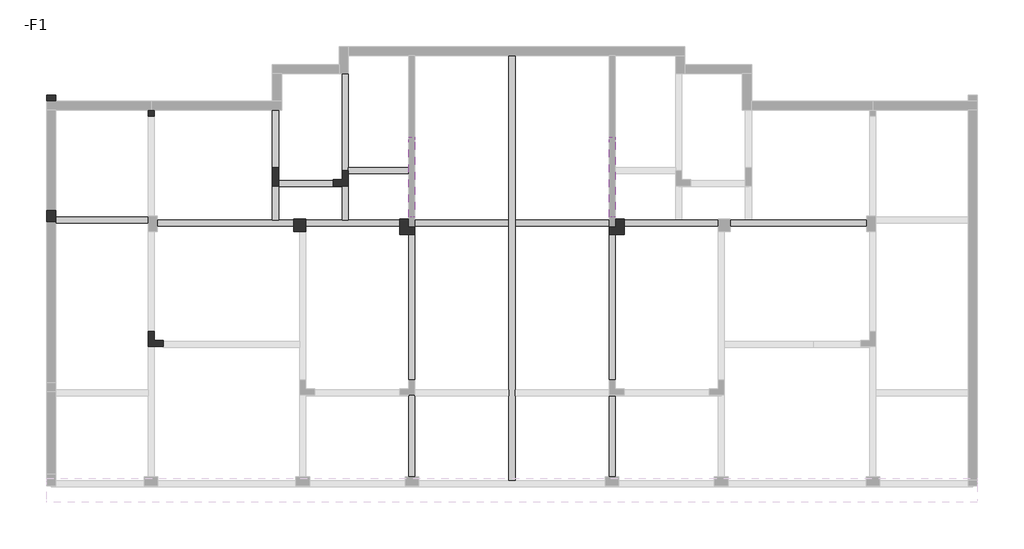
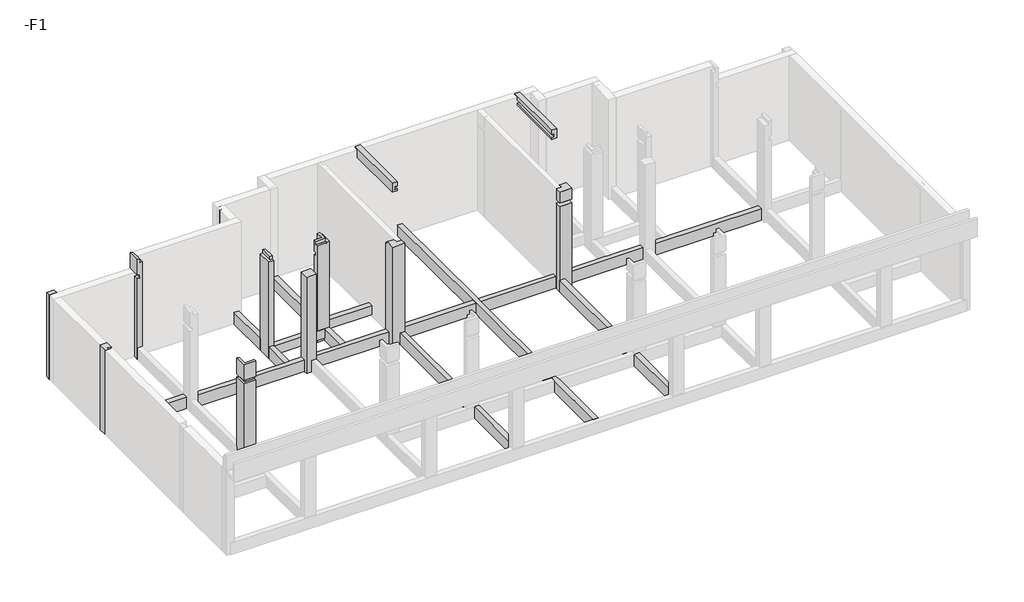
# One storey, part 3 of 4: 14 columns, 11 beams.
"""IFC4 building model written with IfcOpenShell, lengths in millimetres."""

from ifc_helpers import new_model, si_unit, frame, origin, place, context, project, spatial, polyline, outline, extrude, faceted_brep, element, save

model = new_model("IFC4")

# Units and contexts
model_context = context("Model", 3, world=origin())
ifc_project = project(units=[si_unit("LENGTHUNIT", "METRE", prefix="MILLI")], contexts=[model_context])

# Site, building, storey
site = spatial("IfcSite", under=ifc_project)
building = spatial("IfcBuilding", under=site)
storey = spatial("IfcBuildingStorey", under=building, Name="-F1", Elevation=-3900.0)

# Beams
placement = place(None, origin())
element("IfcBeam", 1, at=placement, inside=storey, context=model_context, shape_type="Brep", body=[
    faceted_brep([(-7567.9488808, -1248.812102, -3900.0), (-7367.9488808, -1248.812102, -3900.0), (-7367.9488808, 3801.1929483, -3900.0), (-7567.9488808, 3801.1929483, -3900.0), (-7367.9488808, -1248.812102, -4400.0), (-7367.9488808, 3801.1929483, -4400.0), (-7567.9488808, -1248.812102, -4400.0), (-7567.9488808, 3801.1929483, -4400.0)], [[[0, 1, 2, 3]], [[1, 4, 5, 2]], [[4, 6, 7, 5]], [[6, 0, 3, 7]], [[1, 0, 6, 4]], [[3, 2, 5, 7]]]),
    faceted_brep([(-7367.9488808, -4448.8065585, -3900.0), (-7567.9488808, -4448.8065585, -3900.0), (-7567.9488808, -4448.8065585, -4400.0), (-7367.9488808, -4448.8065585, -4400.0), (-7567.9488808, -1748.812102, -3900.0), (-7367.9488808, -1748.812102, -3900.0), (-7367.9488808, -1748.812102, -4400.0), (-7567.9488808, -1748.812102, -4400.0), (-7367.9488808, -1779.255022, -3900.0), (-7567.9488808, -1779.255022, -3900.0), (-7367.9488808, -1779.255022, -4400.0), (-7567.9488808, -1779.255022, -4400.0)], [[[0, 1, 2, 3]], [[4, 5, 6, 7]], [[1, 0, 8, 5, 4, 9]], [[0, 3, 10, 6, 5, 8]], [[3, 2, 11, 7, 6, 10]], [[2, 1, 9, 4, 7, 11]]]),
])
element("IfcBeam", 2, at=placement, inside=storey, context=model_context, shape_type="Brep", body=[
    faceted_brep([(-4267.9488808, -4579.254527, -3900.0), (-4067.9488808, -4579.254527, -3900.0), (-4067.9488808, -1779.255022, -3900.0), (-4067.9488808, -1579.255022, -3900.0), (-4067.9488808, 3820.7399295, -3900.0), (-4067.9488808, 4020.7399295, -3900.0), (-4067.9488808, 9451.1929646, -3900.0), (-4267.9488808, 9451.1929646, -3900.0), (-4267.9488808, 4020.7399295, -3900.0), (-4267.9488808, 3820.7399295, -3900.0), (-4267.9488808, -1579.255022, -3900.0), (-4267.9488808, -1779.255022, -3900.0), (-4067.9488808, -4579.254527, -4400.0), (-4067.9488808, -1779.255022, -4400.0), (-4067.9488808, -1579.255022, -4400.0), (-4067.9488808, 3820.7399295, -4400.0), (-4067.9488808, 4020.7399295, -4400.0), (-4067.9488808, 9451.1929646, -4400.0), (-4267.9488808, -4579.254527, -4400.0), (-4267.9488808, -1779.255022, -4400.0), (-4267.9488808, -1579.255022, -4400.0), (-4267.9488808, 3820.7399295, -4400.0), (-4267.9488808, 4020.7399295, -4400.0), (-4267.9488808, 9451.1929646, -4400.0)], [[[0, 1, 2, 3, 4, 5, 6, 7, 8, 9, 10, 11]], [[1, 12, 13, 14, 15, 16, 17, 6, 5, 4, 3, 2]], [[12, 18, 19, 20, 21, 22, 23, 17, 16, 15, 14, 13]], [[18, 0, 11, 10, 9, 8, 7, 23, 22, 21, 20, 19]], [[1, 0, 18, 12]], [[7, 6, 17, 23]]]),
])
element("IfcBeam", 3, at=placement, inside=storey, context=model_context, shape_type="Brep", body=[
    faceted_brep([(-16167.9082316, 3920.739838, -3900.0), (-16167.9082316, 4120.739838, -3900.0), (-19217.9377846, 4120.739838, -3900.0), (-19217.9488808, 3920.739838, -3900.0), (-16167.9082316, 3920.739838, -4400.0), (-19217.9488808, 3920.739838, -4400.0), (-16167.9082316, 4120.739838, -4400.0), (-19217.9466364, 3961.1929515, -4400.0), (-19217.9377846, 4120.739838, -4400.0)], [[[0, 1, 2, 3]], [[4, 0, 3, 5]], [[6, 4, 5, 7, 8]], [[1, 6, 8, 2]], [[1, 0, 4, 6]], [[2, 8, 7, 5, 3]]]),
])
element("IfcBeam", 4, at=placement, inside=storey, context=model_context, shape_type="Brep", body=[
    faceted_brep([(7532.0104701, 3820.7399295, -3900.0), (7532.0104701, 4020.7399295, -3900.0), (3732.0511192, 4020.7399295, -3900.0), (3532.0511192, 4020.7399295, -3900.0), (3032.0511192, 4020.7399295, -3900.0), (3032.0511192, 3820.7399295, -3900.0), (7532.0104701, 3820.7399295, -4400.0), (3032.0511192, 3820.7399295, -4400.0), (7532.0104701, 4020.7399295, -4400.0), (3032.0511192, 4020.7399295, -4400.0), (3532.0511192, 4020.7399295, -4400.0), (3732.0511192, 4020.7399295, -4400.0)], [[[0, 1, 2, 3, 4, 5]], [[6, 0, 5, 7]], [[8, 6, 7, 9, 10, 11]], [[1, 8, 11, 10, 9, 4, 3, 2]], [[1, 0, 6, 8]], [[5, 4, 9, 7]]]),
    faceted_brep([(-15867.9082316, 3820.7399295, -3900.0), (-15867.9082316, 4020.7399295, -3900.0), (-15867.9082316, 4020.7399295, -4400.0), (-15867.9082316, 3820.7399295, -4400.0), (-11367.9488808, 4020.7399295, -3900.0), (-11367.9488808, 3820.7399295, -3900.0), (-11367.9488808, 3820.7399295, -4400.0), (-11367.9488808, 4020.7399295, -4400.0), (-11867.9488808, 4020.7399295, -3900.0), (-12067.9488808, 4020.7399295, -3900.0), (-12067.9488808, 4020.7399295, -4400.0), (-11867.9488808, 4020.7399295, -4400.0)], [[[0, 1, 2, 3]], [[4, 5, 6, 7]], [[1, 0, 5, 4, 8, 9]], [[0, 3, 6, 5]], [[3, 2, 10, 11, 7, 6]], [[2, 1, 9, 8, 4, 7, 11, 10]]]),
    faceted_brep([(-967.985891, 4020.7399295, -3900.0), (-967.985891, 3820.7399295, -3900.0), (-967.985891, 3820.7399295, -4400.0), (-967.985891, 4020.7399295, -4400.0), (-4067.9488808, 3820.7399295, -3900.0), (-4067.9488808, 4020.7399295, -3900.0), (-4067.9488808, 4020.7399295, -4400.0), (-4067.9488808, 3820.7399295, -4400.0)], [[[0, 1, 2, 3]], [[4, 5, 6, 7]], [[1, 0, 5, 4]], [[2, 1, 4, 7]], [[3, 2, 7, 6]], [[0, 3, 6, 5]]]),
    faceted_brep([(-467.985891, 3820.7399295, -3900.0), (-467.985891, 4020.7399295, -3900.0), (-467.985891, 4020.7399295, -4400.0), (-467.985891, 3820.7399295, -4400.0), (2632.0511192, 4020.7399295, -3900.0), (2632.0511192, 3820.7399295, -3900.0), (2632.0511192, 3820.7399295, -4400.0), (2632.0511192, 4020.7399295, -4400.0), (1432.0511192, 4020.7399295, -3900.0), (1232.0511192, 4020.7399295, -3900.0), (1232.0511192, 4020.7399295, -4400.0), (1432.0511192, 4020.7399295, -4400.0)], [[[0, 1, 2, 3]], [[4, 5, 6, 7]], [[1, 0, 5, 4, 8, 9]], [[0, 3, 6, 5]], [[3, 2, 10, 11, 7, 6]], [[2, 1, 9, 8, 4, 7, 11, 10]]]),
    faceted_brep([(-10967.9488808, 3820.7399295, -3900.0), (-10967.9488808, 4020.7399295, -3900.0), (-10967.9488808, 4020.7399295, -4400.0), (-10967.9488808, 3820.7399295, -4400.0), (-7567.9488808, 4020.7399295, -3900.0), (-7567.9488808, 3820.7399295, -3900.0), (-7567.9488808, 3820.7399295, -4400.0), (-7567.9488808, 4020.7399295, -4400.0), (-9567.9488808, 4020.7399295, -3900.0), (-9767.9488808, 4020.7399295, -3900.0), (-9767.9488808, 4020.7399295, -4400.0), (-9567.9488808, 4020.7399295, -4400.0)], [[[0, 1, 2, 3]], [[4, 5, 6, 7]], [[1, 0, 5, 4, 8, 9]], [[0, 3, 6, 5]], [[3, 2, 10, 11, 7, 6]], [[2, 1, 9, 8, 4, 7, 11, 10]]]),
    faceted_brep([(-4267.9488808, 4020.7399295, -3900.0), (-4267.9488808, 3820.7399295, -3900.0), (-4267.9488808, 3820.7399295, -4400.0), (-4267.9488808, 4020.7399295, -4400.0), (-7367.9488808, 4020.7399295, -3900.0), (-7367.9488808, 3820.7399295, -3900.0), (-7367.9488808, 3820.7399295, -4400.0), (-7367.9488808, 4020.7399295, -4400.0)], [[[0, 1, 2, 3]], [[1, 0, 4, 5]], [[2, 1, 5, 6]], [[3, 2, 6, 7]], [[0, 3, 7, 4]], [[5, 4, 7, 6]]]),
])
element("IfcBeam", 5, at=placement, inside=storey, context=model_context, shape_type="SweptSolid", body=[
    extrude(outline(polyline([(-767.9488808, -4448.8065585), (-967.9488808, -4448.8065585), (-967.9488808, -1779.255022), (-767.9488808, -1779.255022), (-767.9488808, -4448.8065585)])), frame((0.0, 0.0, -4400.0), z_axis=(0.0, 0.0, 1.0), x_axis=(1.0, 0.0, 0.0)), (0.0, 0.0, 1.0), 500.0),
    extrude(outline(polyline([(-767.9488808, -1248.812102), (-967.9488808, -1248.812102), (-967.9488808, 3551.1929483), (-767.9488808, 3551.1929483), (-767.9488808, -1248.812102)])), frame((0.0, 0.0, -4400.0), z_axis=(0.0, 0.0, 1.0), x_axis=(1.0, 0.0, 0.0)), (0.0, 0.0, 1.0), 500.0),
])
element("IfcBeam", 6, at=placement, inside=storey, context=model_context, shape_type="Brep", body=[
    faceted_brep([(-12067.9488808, 4020.7399295, -3900.0), (-11867.9488808, 4020.7399295, -3900.0), (-11867.9488808, 5120.7449813, -3900.0), (-11867.9488808, 5151.187898, -3900.0), (-12067.9488808, 5151.187898, -3900.0), (-12067.9488808, 4020.7399295, -4400.0), (-12067.9488808, 5151.187898, -4400.0), (-11867.9488808, 4020.7399295, -4400.0), (-11867.9488808, 5151.187898, -4400.0)], [[[0, 1, 2, 3, 4]], [[5, 0, 4, 6]], [[7, 5, 6, 8]], [[1, 7, 8, 3, 2]], [[1, 0, 5, 7]], [[4, 3, 8, 6]]]),
    faceted_brep([(-11867.9488808, 5751.187898, -3900.0), (-12067.9488808, 5751.187898, -3900.0), (-12067.9488808, 5751.187898, -4400.0), (-11867.9488808, 5751.187898, -4400.0), (-11867.9488808, 7651.192951, -3900.0), (-12067.9488808, 7651.192951, -3900.0), (-12067.9488808, 7651.192951, -4400.0), (-11867.9488808, 7651.192951, -4400.0)], [[[0, 1, 2, 3]], [[1, 0, 4, 5]], [[2, 1, 5, 6]], [[3, 2, 6, 7]], [[0, 3, 7, 4]], [[5, 4, 7, 6]]]),
])
element("IfcBeam", 7, at=placement, inside=storey, context=model_context, shape_type="Brep", body=[
    faceted_brep([(-9767.9488808, 4020.7399295, -3900.0), (-9567.9488808, 4020.7399295, -3900.0), (-9567.9488808, 5151.187898, -3900.0), (-9767.9488808, 5151.187898, -3900.0), (-9767.9488808, 5120.7449813, -3900.0), (-9767.9488808, 4020.7399295, -4400.0), (-9767.9488808, 5151.187898, -4300.0), (-9767.9488808, 5151.187898, -4400.0), (-9567.9488808, 4020.7399295, -4400.0), (-9567.9488808, 5151.187898, -4400.0)], [[[0, 1, 2, 3, 4]], [[5, 0, 4, 3, 6, 7]], [[8, 5, 7, 9]], [[1, 8, 9, 2]], [[1, 0, 5, 8]], [[3, 2, 9, 7, 6]]]),
    faceted_brep([(-9567.9488808, 5651.187898, -3900.0), (-9767.9488808, 5651.187898, -3900.0), (-9767.9488808, 5651.187898, -4400.0), (-9567.9488808, 5651.187898, -4400.0), (-9567.9488808, 5751.187898, -3900.0), (-9567.9488808, 8851.1979012, -3900.0), (-9767.9488808, 8851.1979012, -3900.0), (-9767.9488808, 8851.1979012, -4400.0), (-9567.9488808, 8851.1979012, -4400.0)], [[[0, 1, 2, 3]], [[1, 0, 4, 5, 6]], [[2, 1, 6, 7]], [[3, 2, 7, 8]], [[0, 3, 8, 5, 4]], [[6, 5, 8, 7]]]),
])
element("IfcBeam", 8, at=placement, inside=storey, context=model_context, shape_type="Brep", body=[
    faceted_brep([(-9567.9488808, 5751.187898, -3900.0), (-9567.9488808, 5651.187898, -3900.0), (-9567.9488808, 5551.187898, -3900.0), (-7567.9488808, 5551.187898, -3900.0), (-7567.9488808, 5751.187898, -3900.0), (-9567.9488808, 5551.187898, -4300.0), (-7567.9488808, 5551.187898, -4300.0), (-9567.9488808, 5751.187898, -4300.0), (-7567.9488808, 5751.187898, -4300.0)], [[[0, 1, 2, 3, 4]], [[2, 5, 6, 3]], [[5, 7, 8, 6]], [[4, 8, 7, 0]], [[0, 7, 5, 2, 1]], [[4, 3, 6, 8]]]),
])
element("IfcBeam", 9, at=placement, inside=storey, context=model_context, shape_type="Brep", body=[
    faceted_brep([(-10067.9488808, 5320.7449813, -3900.0), (-11867.9488808, 5320.7449813, -3900.0), (-11867.9488808, 5151.187898, -3900.0), (-11867.9488808, 5120.7449813, -3900.0), (-9767.9488808, 5120.7449813, -3900.0), (-9767.9488808, 5151.187898, -3900.0), (-10067.9488808, 5151.187898, -3900.0), (-11867.9488808, 5120.7449813, -4300.0), (-9767.9488808, 5120.7449813, -4300.0), (-11867.9488808, 5320.7449813, -4300.0), (-10067.9488808, 5320.7449813, -4300.0), (-10067.9488808, 5151.187898, -4300.0), (-9767.9488808, 5151.187898, -4300.0)], [[[0, 1, 2, 3, 4, 5, 6]], [[3, 7, 8, 4]], [[9, 10, 11, 12, 8, 7]], [[9, 1, 0, 10]], [[1, 9, 7, 3, 2]], [[6, 11, 10, 0]], [[11, 6, 5, 12]], [[5, 4, 8, 12]]]),
])
element("IfcBeam", 10, at=placement, inside=storey, context=model_context, shape_type="Brep", body=[
    faceted_brep([(-7568.0210684, 6758.7452581, 2320.0), (-7368.0210684, 6758.7452581, 2320.0), (-7368.0210684, 6758.7452581, 2290.0), (-7568.0210684, 6758.7452581, 2290.0), (-7568.0210684, 4113.8929483, 2320.0), (-7568.0210684, 4113.8929483, 1920.0), (-7368.0210684, 4113.8929483, 1920.0), (-7368.0210684, 4113.8929483, 2000.0), (-7467.9488808, 4113.8929483, 2000.0), (-7467.9488808, 4113.8929483, 2130.0), (-7368.0210684, 4113.8929483, 2130.0), (-7368.0210684, 4113.8929483, 2320.0), (-7368.0210684, 6601.1640579, 2130.0), (-7368.0210684, 6601.1640579, 2280.0), (-7368.0210684, 6751.187898, 2280.0), (-7368.0210684, 6751.187898, 2290.0), (-7568.0210684, 6601.1640579, 1920.0), (-7368.0210684, 6601.1640579, 1920.0), (-7568.0210684, 6751.187898, 2290.0), (-7568.0210684, 6751.187898, 2280.0), (-7568.0210684, 6601.1640579, 2280.0), (-7368.0210684, 6601.1640579, 2000.0), (-7467.9488808, 6601.1640579, 2000.0), (-7467.9488808, 6601.1640579, 2130.0)], [[[0, 1, 2, 3]], [[4, 5, 6, 7, 8, 9, 10, 11]], [[1, 0, 4, 11]], [[1, 11, 10, 12, 13, 14, 15, 2]], [[6, 5, 16, 17]], [[5, 4, 0, 3, 18, 19, 20, 16]], [[8, 7, 21, 22]], [[10, 9, 23, 12]], [[9, 8, 22, 23]], [[3, 2, 15, 18]], [[18, 15, 14, 19]], [[20, 13, 12, 23, 22, 21, 17, 16]], [[13, 20, 19, 14]], [[7, 6, 17, 21]]]),
])
element("IfcBeam", 11, at=placement, inside=storey, context=model_context, shape_type="Brep", body=[
    faceted_brep([(-967.8766931, 6758.7452581, 2320.0), (-767.8766931, 6758.7452581, 2320.0), (-767.8766931, 6758.7452581, 2290.0), (-767.8766931, 6758.7452581, 2280.0), (-967.8766931, 6758.7452581, 2280.0), (-967.8766931, 6758.7452581, 2290.0), (-767.8766931, 4113.8929483, 1920.0), (-767.8766931, 4113.8929483, 2320.0), (-967.8766931, 4113.8929483, 2320.0), (-967.8766931, 4113.8929483, 2130.0), (-867.9488808, 4113.8929483, 2130.0), (-867.9488808, 4113.8929483, 2000.0), (-967.8766931, 4113.8929483, 2000.0), (-967.8766931, 4113.8929483, 1920.0), (-967.8766931, 6751.187898, 2280.0), (-967.8766931, 6601.1640579, 2280.0), (-967.8766931, 6601.1640579, 2130.0), (-967.8766931, 6601.1640579, 1920.0), (-767.8766931, 6601.1640579, 1920.0), (-767.8766931, 6601.1640579, 2280.0), (-767.8766931, 6751.187898, 2280.0), (-867.9488808, 6601.1640579, 2000.0), (-967.8766931, 6601.1640579, 2000.0), (-867.9488808, 6601.1640579, 2130.0)], [[[0, 1, 2, 3, 4, 5]], [[6, 7, 8, 9, 10, 11, 12, 13]], [[1, 0, 8, 7]], [[8, 0, 5, 4, 14, 15, 16, 9]], [[6, 13, 17, 18]], [[7, 6, 18, 19, 20, 3, 2, 1]], [[12, 11, 21, 22]], [[10, 9, 16, 23]], [[11, 10, 23, 21]], [[15, 19, 18, 17, 22, 21, 23, 16]], [[19, 15, 14, 4, 3, 20]], [[13, 12, 22, 17]]]),
])

# Columns
element("IfcColumn", 12, ObjectType="KZ-1", at=placement, inside=storey, context=model_context, shape_type="SweptSolid", body=[
    extrude(outline(polyline([(-19517.9377846, 8151.1929535), (-19217.9377846, 8151.1929535), (-19217.9377846, 7951.192951), (-19517.9377846, 7951.192951), (-19517.9377846, 8151.1929535)])), frame((0.0, 0.0, -4400.0), z_axis=(0.0, 0.0, 1.0), x_axis=(1.0, 0.0, 0.0)), (0.0, 0.0, 1.0), 3680.0),
])
element("IfcColumn", 13, ObjectType="KZ-1", at=placement, inside=storey, context=model_context, shape_type="Brep", body=[
    faceted_brep([(-19517.9377846, 4351.1929535, -4400.0), (-19217.9377846, 4351.1929535, -4400.0), (-19217.9377846, 4120.739838, -4400.0), (-19217.9377846, 3961.192951, -4400.0), (-19517.9377846, 3961.192951, -4400.0), (-19217.9377846, 4351.1929535, -720.0), (-19217.9377846, 4151.187898, -720.0), (-19217.9377846, 4051.187898, -720.0), (-19217.9377846, 4051.187898, -870.0), (-19217.9377846, 3961.192951, -870.0), (-19517.9377846, 4351.1929535, -720.0), (-19517.9377846, 3961.192951, -720.0), (-19367.9488808, 3961.192951, -720.0), (-19367.9488808, 4051.187898, -720.0), (-19367.9488808, 4051.187898, -870.0), (-19367.9488808, 3961.192951, -870.0)], [[[0, 1, 2, 3, 4]], [[1, 5, 6, 7, 8, 9, 3, 2]], [[10, 0, 4, 11]], [[1, 0, 10, 5]], [[5, 10, 11, 12, 13, 7, 6]], [[8, 14, 15, 9]], [[14, 13, 12, 15]], [[13, 14, 8, 7]], [[4, 3, 9, 15, 12, 11]]]),
])
element("IfcColumn", 14, ObjectType="KZ-4", at=placement, inside=storey, context=model_context, shape_type="Brep", body=[
    faceted_brep([(-15967.9082317, 7451.1929485, -4400.0), (-16167.9082317, 7451.1929485, -4400.0), (-16167.9082317, 7651.192951, -4400.0), (-16067.9488808, 7651.192951, -4400.0), (-15967.9082317, 7651.192951, -4400.0), (-15967.9082317, 7451.1929485, -190.0), (-15967.9082317, 7651.192951, -190.0), (-16067.9488808, 7451.1929485, -190.0), (-16067.9488808, 7451.1929485, -40.0), (-16167.9082317, 7451.1929485, -40.0), (-16167.9082317, 7451.1929485, -720.0), (-16067.9488808, 7451.1929485, -720.0), (-16067.9488808, 7451.1929485, -870.0), (-16167.9082317, 7451.1929485, -870.0), (-16167.9082317, 7951.1929485, -40.0), (-16167.9082317, 7951.1929485, -720.0), (-16067.9488808, 7951.1929485, -720.0), (-16067.9488808, 7951.1929485, -40.0), (-16067.9488808, 7651.192951, -40.0), (-16067.9488808, 7801.192951, -40.0), (-16067.9488808, 7651.192951, -870.0), (-16167.9082317, 7651.192951, -870.0), (-16067.9488808, 7850.9430717, -720.0), (-16067.9488808, 7651.192951, -720.0), (-16067.9488808, 7651.192951, -190.0)], [[[0, 1, 2, 3, 4]], [[5, 0, 4, 6]], [[1, 0, 5, 7, 8, 9, 10, 11, 12, 13]], [[9, 14, 15, 10]], [[16, 15, 14, 17]], [[14, 9, 8, 18, 19, 17]], [[13, 12, 20, 21]], [[11, 10, 15, 16, 22, 23]], [[12, 11, 23, 20]], [[7, 5, 6, 24]], [[8, 7, 24, 23, 22, 16, 17, 19, 18]], [[2, 21, 20, 23, 24, 6, 4, 3]], [[1, 13, 21, 2]]]),
])
element("IfcColumn", 15, ObjectType="KZ-4", at=placement, inside=storey, context=model_context, shape_type="Brep", body=[
    faceted_brep([(-16167.9488808, 351.187898, -4400.0), (-15967.9488808, 351.187898, -4400.0), (-15967.9488808, 51.187898, -4400.0), (-15667.9488808, 51.187898, -4400.0), (-15667.9488808, -148.812102, -4400.0), (-15967.9488808, -148.812102, -4400.0), (-16167.9488808, -148.812102, -4400.0), (-16167.9488808, 351.187898, -3900.0), (-16167.9488808, 351.187898, -870.0), (-16067.9488808, 351.187898, -870.0), (-16067.9488808, 351.187898, -720.0), (-16167.9488808, 351.187898, -720.0), (-16167.9488808, 351.187898, -40.0), (-16067.9488808, 351.187898, -40.0), (-16067.9488808, 351.187898, -190.0), (-15967.9488808, 351.187898, -190.0), (-15967.9488808, 351.187898, -3900.0), (-15967.9488808, 51.187898, -190.0), (-15667.9488808, 51.187898, -190.0), (-15667.9488808, -48.812102, -190.0), (-15667.9488808, -48.812102, -40.0), (-15667.9488808, -148.812102, -40.0), (-15667.9488808, -148.812102, -720.0), (-15667.9488808, -48.812102, -720.0), (-15667.9488808, -48.812102, -870.0), (-15667.9488808, -148.812102, -870.0), (-16167.9488808, -148.812102, -40.0), (-16167.9488808, -148.812102, -720.0), (-16067.9488808, -48.812102, -40.0), (-16067.9488808, -48.812102, -870.0), (-16167.9488808, -148.812102, -870.0), (-15967.9488808, -148.812102, -870.0), (-16067.9488808, -48.812102, -720.0), (-16167.9488808, -148.812102, -1220.0), (-16167.9488808, -148.812102, -3900.0), (-16067.9488808, -48.812102, -190.0)], [[[0, 1, 2, 3, 4, 5, 6]], [[1, 0, 7, 8, 9, 10, 11, 12, 13, 14, 15, 16]], [[2, 1, 16, 15, 17]], [[3, 2, 17, 18]], [[4, 3, 18, 19, 20, 21, 22, 23, 24, 25]], [[21, 26, 27, 22]], [[26, 12, 11, 27]], [[26, 21, 20, 28, 13, 12]], [[24, 29, 9, 8, 30, 31, 25]], [[32, 23, 22, 27, 11, 10]], [[29, 32, 10, 9]], [[32, 29, 24, 23]], [[6, 5, 4, 25, 31, 30, 33, 34]], [[0, 6, 34, 33, 30, 8, 7]], [[35, 19, 18, 17, 15, 14]], [[28, 35, 14, 13]], [[35, 28, 20, 19]]]),
])
element("IfcColumn", 16, ObjectType="KZ-4", at=placement, inside=storey, context=model_context, shape_type="SweptSolid", body=[
    extrude(outline(polyline([(-4400.0, -12067.9488808), (-4400.0, -11867.9488808), (-670.0, -11867.9488808), (-670.0, -11967.9488808), (-520.0, -11967.9488808), (-520.0, -11867.9488808), (-40.0, -11867.9488808), (-40.0, -12067.9488808), (-4400.0, -12067.9488808)])), frame((0.0, 8651.1979011, 0.0), z_axis=(0.0, 1.0, 0.0), x_axis=(0.0, 0.0, 1.0)), (0.0, 0.0, 1.0), 200.0000001),
])
element("IfcColumn", 17, ObjectType="KZ-4", at=placement, inside=storey, context=model_context, shape_type="Brep", body=[
    faceted_brep([(-10067.9488808, 5151.187898, -4400.0), (-10067.9488808, 5351.187898, -4400.0), (-9767.9488808, 5351.187898, -4400.0), (-9767.9488808, 5651.187898, -4400.0), (-9567.9488808, 5651.187898, -4400.0), (-9567.9488808, 5151.187898, -4400.0), (-9767.9488808, 5151.187898, -4400.0), (-10067.9488808, 5151.187898, -190.0), (-10067.9488808, 5251.187898, -190.0), (-10067.9488808, 5251.187898, -40.0), (-10067.9488808, 5351.187898, -40.0), (-10067.9488808, 5351.187898, -520.0), (-10067.9488808, 5251.187898, -520.0), (-10067.9488808, 5251.187898, -670.0), (-10067.9488808, 5351.187898, -670.0), (-9767.9488808, 5351.187898, -40.0), (-9767.9488808, 5351.187898, -520.0), (-9767.9488808, 5651.187898, -40.0), (-9767.9488808, 5651.187898, -520.0), (-9767.9488808, 5651.187898, -3900.0), (-9767.9488808, 5651.187898, -670.0), (-9667.9488808, 5651.187898, -670.0), (-9667.9488808, 5651.187898, -640.0), (-9667.9488808, 5651.187898, -520.0), (-9667.9488808, 5651.187898, -40.0), (-9667.9488808, 5651.187898, -140.0), (-9567.9488808, 5651.187898, -140.0), (-9567.9488808, 5651.187898, -640.0), (-9567.9488808, 5651.187898, -3900.0), (-9567.9488808, 5151.187898, -140.0), (-9567.9488808, 5151.187898, -640.0), (-9567.9488808, 5151.187898, -3900.0), (-9667.9488808, 5151.187898, -140.0), (-9667.9488808, 5151.187898, -190.0), (-9767.9488808, 5151.187898, -190.0), (-9667.9488808, 5251.187898, -40.0), (-9667.9488808, 5251.187898, -670.0), (-9767.9488808, 5351.187898, -670.0), (-9667.9488808, 5251.187898, -520.0), (-9667.9488808, 5251.187898, -190.0), (-9667.9488808, 5251.187898, -140.0)], [[[0, 1, 2, 3, 4, 5, 6]], [[1, 0, 7, 8, 9, 10, 11, 12, 13, 14]], [[10, 15, 16, 11]], [[15, 17, 18, 16]], [[4, 3, 19, 20, 21, 22, 23, 18, 17, 24, 25, 26, 27, 28]], [[5, 4, 28, 27, 26, 29, 30, 31]], [[0, 6, 5, 31, 30, 29, 32, 33, 34, 7]], [[15, 10, 9, 35, 24, 17]], [[13, 36, 21, 20, 37, 14]], [[23, 38, 12, 11, 16, 18]], [[36, 38, 23, 22, 21]], [[38, 36, 13, 12]], [[2, 1, 14, 37]], [[3, 2, 37, 20, 19]], [[39, 8, 7, 34, 33]], [[8, 39, 40, 35, 9]], [[39, 33, 32, 40]], [[25, 40, 32, 29, 26]], [[40, 25, 24, 35]]]),
])
element("IfcColumn", 18, ObjectType="KZ-4", at=placement, inside=storey, context=model_context, shape_type="Brep", body=[
    faceted_brep([(-16167.9488808, 351.187898, -4400.0), (-15967.9488808, 351.187898, -4400.0), (-15967.9488808, 51.187898, -4400.0), (-15667.9488808, 51.187898, -4400.0), (-15667.9488808, -148.812102, -4400.0), (-15967.9488808, -148.812102, -4400.0), (-16167.9488808, -148.812102, -4400.0), (-16167.9488808, 351.187898, -3900.0), (-16167.9488808, 351.187898, -890.0), (-16167.9488808, 351.187898, -870.0), (-16067.9488808, 351.187898, -870.0), (-16067.9488808, 351.187898, -720.0), (-16167.9488808, 351.187898, -720.0), (-16167.9488808, 351.187898, -40.0), (-16067.9488808, 351.187898, -40.0), (-16067.9488808, 351.187898, -190.0), (-15967.9488808, 351.187898, -190.0), (-15967.9488808, 351.187898, -890.0), (-15967.9488808, 351.187898, -3900.0), (-15967.9488808, 51.187898, -190.0), (-15667.9488808, 51.187898, -190.0), (-15667.9488808, 51.187898, -890.0), (-15667.9488808, -48.812102, -190.0), (-15667.9488808, -48.812102, -40.0), (-15667.9488808, -148.812102, -40.0), (-15667.9488808, -148.812102, -720.0), (-15667.9488808, -48.812102, -720.0), (-15667.9488808, -48.812102, -870.0), (-15667.9488808, -148.812102, -870.0), (-15667.9488808, -148.812102, -890.0), (-16167.9488808, -148.812102, -40.0), (-16167.9488808, -148.812102, -720.0), (-16067.9488808, -48.812102, -40.0), (-16067.9488808, -48.812102, -870.0), (-16167.9488808, -148.812102, -870.0), (-15967.9488808, -148.812102, -870.0), (-16067.9488808, -48.812102, -720.0), (-16167.9488808, -148.812102, -1220.0), (-16167.9488808, -148.812102, -3900.0), (-16067.9488808, -48.812102, -190.0)], [[[0, 1, 2, 3, 4, 5, 6]], [[1, 0, 7, 8, 9, 10, 11, 12, 13, 14, 15, 16, 17, 18]], [[2, 1, 18, 17, 16, 19]], [[3, 2, 19, 20, 21]], [[4, 3, 21, 20, 22, 23, 24, 25, 26, 27, 28, 29]], [[24, 30, 31, 25]], [[30, 13, 12, 31]], [[30, 24, 23, 32, 14, 13]], [[27, 33, 10, 9, 34, 35, 28]], [[36, 26, 25, 31, 12, 11]], [[33, 36, 11, 10]], [[36, 33, 27, 26]], [[6, 5, 4, 29, 28, 35, 34, 37, 38]], [[0, 6, 38, 37, 34, 9, 8, 7]], [[39, 22, 20, 19, 16, 15]], [[32, 39, 15, 14]], [[39, 32, 23, 22]]]),
])
element("IfcColumn", 19, ObjectType="KZ-4", at=placement, inside=storey, context=model_context, shape_type="SweptSolid", body=[
    extrude(outline(polyline([(-11567.9488808, 9151.1979011), (-11567.9488808, 8951.1979011), (-11867.9488808, 8951.1979011), (-11867.9488808, 8651.1979011), (-12067.9488808, 8651.1979011), (-12067.9488808, 9151.1979011), (-11567.9488808, 9151.1979011)])), frame((0.0, 0.0, -4400.0), z_axis=(0.0, 0.0, 1.0), x_axis=(1.0, 0.0, 0.0)), (0.0, 0.0, 1.0), 4360.0),
])
element("IfcColumn", 20, ObjectType="KZ-6", at=placement, inside=storey, context=model_context, shape_type="Brep", body=[
    faceted_brep([(-10967.9488808, 4051.1929485, -4400.0), (-10967.9488808, 4020.7399295, -4400.0), (-10967.9488808, 3820.7399295, -4400.0), (-10967.9488808, 3651.1929485, -4400.0), (-11367.9488808, 3651.1929485, -4400.0), (-11367.9488808, 3820.7399295, -4400.0), (-11367.9488808, 4020.7399295, -4400.0), (-11367.9488808, 4051.1929485, -4400.0), (-10967.9488808, 4051.1929485, -190.0), (-10967.9488808, 3851.187898, -190.0), (-10967.9488808, 3651.1929485, -190.0), (-11367.9488808, 3651.1929485, -190.0), (-11367.9488808, 3851.187898, -190.0), (-11367.9488808, 4051.1929485, -190.0)], [[[0, 1, 2, 3, 4, 5, 6, 7]], [[3, 2, 1, 0, 8, 9, 10]], [[4, 3, 10, 11]], [[7, 6, 5, 4, 11, 12, 13]], [[0, 7, 13, 8]], [[10, 9, 8, 13, 12, 11]]]),
])
element("IfcColumn", 21, ObjectType="KZ-7", at=placement, inside=storey, context=model_context, shape_type="Brep", body=[
    faceted_brep([(-7367.9118706, 3551.1929483, -4400.0), (-7867.9118706, 3551.1929483, -4400.0), (-7867.9118706, 4051.1929483, -4400.0), (-7567.9488808, 4051.1929483, -4400.0), (-7567.9488808, 3801.1929483, -4400.0), (-7367.9118706, 3801.1929483, -4400.0), (-7367.9118706, 3551.1929483, -40.0), (-7367.9118706, 3801.1929483, -40.0), (-7867.9118706, 3551.1929483, -40.0), (-7867.9118706, 3951.187898, -40.0), (-7867.9118706, 3951.187898, -140.0), (-7867.9118706, 4051.1929483, -140.0), (-7567.9488808, 4051.1929483, -140.0), (-7567.9488808, 3801.1929483, -40.0), (-7567.9488808, 3951.187898, -40.0), (-7567.9488808, 3951.187898, -140.0)], [[[0, 1, 2, 3, 4, 5]], [[6, 0, 5, 7]], [[1, 0, 6, 8]], [[2, 1, 8, 9, 10, 11]], [[3, 2, 11, 12]], [[8, 6, 7, 13, 14, 9]], [[13, 4, 3, 12, 15, 14]], [[4, 13, 7, 5]], [[10, 15, 12, 11]], [[15, 10, 9, 14]]]),
])
element("IfcColumn", 22, ObjectType="KZ-7", at=placement, inside=storey, context=model_context, shape_type="Brep", body=[
    faceted_brep([(-467.985891, 4051.1929483, -4400.0), (-467.985891, 4020.7399295, -4400.0), (-467.985891, 3820.7399295, -4400.0), (-467.985891, 3551.1929483, -4400.0), (-767.9488808, 3551.1929483, -4400.0), (-967.985891, 3551.1929483, -4400.0), (-967.985891, 3801.1929483, -4400.0), (-767.8766931, 3801.1929483, -4400.0), (-767.8766931, 4051.1929483, -4400.0), (-967.985891, 3551.1929483, -520.0), (-967.985891, 3551.1929483, -40.0), (-967.985891, 3801.1929483, -40.0), (-967.985891, 3801.1929483, -520.0), (-467.985891, 3551.1929483, -40.0), (-467.985891, 3551.1929483, -520.0), (-467.985891, 4051.1929483, -140.0), (-467.985891, 3951.187898, -140.0), (-467.985891, 3951.187898, -40.0), (-467.985891, 3950.9392838, -520.0), (-467.985891, 3950.9392838, -670.0), (-467.985891, 3551.1929483, -670.0), (-767.8766931, 4051.1929483, -140.0), (-767.8766931, 3951.187898, -40.0), (-767.8766931, 3801.1929483, -40.0), (-767.8766931, 3950.9392838, -670.0), (-767.8766931, 3801.1929483, -670.0), (-967.985891, 3801.1929483, -670.0), (-967.985891, 3551.1929483, -670.0), (-767.8766931, 3801.1929483, -520.0), (-767.8766931, 3950.9392838, -520.0), (-767.8766931, 3951.187898, -140.0)], [[[0, 1, 2, 3, 4, 5, 6, 7, 8]], [[9, 10, 11, 12]], [[13, 10, 9, 14]], [[3, 2, 1, 0, 15, 16, 17, 13, 14, 18, 19, 20]], [[0, 8, 21, 15]], [[10, 13, 17, 22, 23, 11]], [[20, 19, 24, 25, 26, 27]], [[18, 14, 9, 12, 28, 29]], [[5, 27, 26, 6]], [[19, 18, 29, 24]], [[5, 4, 3, 20, 27]], [[7, 25, 24, 29, 28, 23, 22, 30, 21, 8]], [[25, 7, 6, 26]], [[23, 28, 12, 11]], [[30, 16, 15, 21]], [[16, 30, 22, 17]]]),
])
element("IfcColumn", 23, ObjectType="KZ-7", at=placement, inside=storey, context=model_context, shape_type="Brep", body=[
    faceted_brep([(-467.985891, 4051.1929483, -4400.0), (-467.985891, 4020.7399295, -4400.0), (-467.985891, 3820.7399295, -4400.0), (-467.985891, 3551.1929483, -4400.0), (-767.9488808, 3551.1929483, -4400.0), (-967.985891, 3551.1929483, -4400.0), (-967.985891, 3801.1929483, -4400.0), (-767.8766931, 3801.1929483, -4400.0), (-767.8766931, 4051.1929483, -4400.0), (-967.985891, 3551.1929483, -520.0), (-967.985891, 3551.1929483, -40.0), (-967.985891, 3651.187898, -40.0), (-967.985891, 3801.1929483, -40.0), (-967.985891, 3801.1929483, -520.0), (-967.985891, 3651.187898, -520.0), (-467.985891, 3551.1929483, -40.0), (-767.9488808, 3551.1929483, -40.0), (-767.9488808, 3551.1929483, -520.0), (-467.985891, 3551.1929483, -520.0), (-467.985891, 4051.1929483, -140.0), (-467.985891, 3951.187898, -140.0), (-467.985891, 3951.187898, -40.0), (-467.985891, 3851.187898, -40.0), (-467.985891, 3851.187898, -520.0), (-467.985891, 3950.9392838, -520.0), (-467.985891, 3950.9392838, -640.0), (-467.985891, 3950.9392838, -670.0), (-467.985891, 3551.1929483, -670.0), (-767.8766931, 4051.1929483, -140.0), (-767.8766931, 3951.187898, -40.0), (-767.8766931, 3801.1929483, -40.0), (-767.8766931, 3950.9392838, -670.0), (-767.8766931, 3801.1929483, -670.0), (-967.985891, 3801.1929483, -670.0), (-967.985891, 3651.187898, -670.0), (-967.985891, 3551.1929483, -670.0), (-767.9488808, 3551.1929483, -670.0), (-767.8766931, 3801.1929483, -520.0), (-767.8766931, 3950.9392838, -520.0), (-767.8766931, 3951.187898, -140.0)], [[[0, 1, 2, 3, 4, 5, 6, 7, 8]], [[9, 10, 11, 12, 13, 14]], [[15, 16, 10, 9, 17, 18]], [[3, 2, 1, 0, 19, 20, 21, 22, 15, 18, 23, 24, 25, 26, 27]], [[0, 8, 28, 19]], [[10, 16, 15, 22, 21, 29, 30, 12, 11]], [[27, 26, 31, 32, 33, 34, 35, 36]], [[24, 23, 18, 17, 9, 14, 13, 37, 38]], [[5, 35, 34, 33, 6]], [[26, 25, 24, 38, 31]], [[5, 4, 3, 27, 36, 35]], [[7, 32, 31, 38, 37, 30, 29, 39, 28, 8]], [[32, 7, 6, 33]], [[30, 37, 13, 12]], [[39, 20, 19, 28]], [[20, 39, 29, 21]]]),
])
element("IfcColumn", 24, ObjectType="KZ-8", at=placement, inside=storey, context=model_context, shape_type="Brep", body=[
    faceted_brep([(-11867.9488808, 5751.187898, -4400.0), (-11867.9488808, 5151.187898, -4400.0), (-12067.9488808, 5151.187898, -4400.0), (-12067.9488808, 5751.187898, -4400.0), (-11867.9488808, 5751.187898, -3900.0), (-11867.9488808, 5751.187898, -670.0), (-11867.9488808, 5251.187898, -670.0), (-11867.9488808, 5251.187898, -520.0), (-11867.9488808, 5751.187898, -520.0), (-11867.9488808, 5751.187898, -40.0), (-11867.9488808, 5251.187898, -40.0), (-11867.9488808, 5251.187898, -190.0), (-11867.9488808, 5151.187898, -190.0), (-11867.9488808, 5151.187898, -3900.0), (-12067.9488808, 5151.187898, -190.0), (-12067.9488808, 5151.187898, -3900.0), (-12067.9488808, 5751.187898, -190.0), (-12067.9488808, 5751.187898, -3900.0), (-11967.9488808, 5751.187898, -190.0), (-11967.9488808, 5751.187898, -40.0), (-11967.9488808, 5751.187898, -520.0), (-11967.9488808, 5751.187898, -670.0), (-11967.9488808, 5251.187898, -40.0), (-11967.9488808, 5251.187898, -670.0), (-11967.9488808, 5251.187898, -520.0), (-11967.9488808, 5251.187898, -190.0)], [[[0, 1, 2, 3]], [[1, 0, 4, 5, 6, 7, 8, 9, 10, 11, 12, 13]], [[2, 1, 13, 12, 14, 15]], [[3, 2, 15, 14, 16, 17]], [[0, 3, 17, 16, 18, 19, 9, 8, 20, 21, 5, 4]], [[10, 9, 19, 22]], [[21, 23, 6, 5]], [[7, 24, 20, 8]], [[23, 24, 7, 6]], [[24, 23, 21, 20]], [[11, 25, 18, 16, 14, 12]], [[25, 22, 19, 18]], [[22, 25, 11, 10]]]),
])
element("IfcColumn", 25, ObjectType="KZ-8", at=placement, inside=storey, context=model_context, shape_type="Brep", body=[
    faceted_brep([(-11867.9488808, 5751.187898, -4400.0), (-11867.9488808, 5151.187898, -4400.0), (-12067.9488808, 5151.187898, -4400.0), (-12067.9488808, 5751.187898, -4400.0), (-11867.9488808, 5751.187898, -3900.0), (-11867.9488808, 5751.187898, -670.0), (-11867.9488808, 5251.187898, -670.0), (-11867.9488808, 5251.187898, -640.0), (-11867.9488808, 5251.187898, -520.0), (-11867.9488808, 5351.187898, -520.0), (-11867.9488808, 5751.187898, -520.0), (-11867.9488808, 5751.187898, -40.0), (-11867.9488808, 5351.187898, -40.0), (-11867.9488808, 5251.187898, -40.0), (-11867.9488808, 5251.187898, -190.0), (-11867.9488808, 5151.187898, -190.0), (-11867.9488808, 5151.187898, -640.0), (-11867.9488808, 5151.187898, -3900.0), (-12067.9488808, 5151.187898, -190.0), (-12067.9488808, 5151.187898, -3900.0), (-12067.9488808, 5751.187898, -190.0), (-12067.9488808, 5751.187898, -640.0), (-12067.9488808, 5751.187898, -3900.0), (-11967.9488808, 5751.187898, -190.0), (-11967.9488808, 5751.187898, -40.0), (-11967.9488808, 5751.187898, -520.0), (-11967.9488808, 5751.187898, -640.0), (-11967.9488808, 5751.187898, -670.0), (-11967.9488808, 5251.187898, -40.0), (-11967.9488808, 5251.187898, -670.0), (-11967.9488808, 5251.187898, -520.0), (-11967.9488808, 5251.187898, -190.0)], [[[0, 1, 2, 3]], [[1, 0, 4, 5, 6, 7, 8, 9, 10, 11, 12, 13, 14, 15, 16, 17]], [[2, 1, 17, 16, 15, 18, 19]], [[3, 2, 19, 18, 20, 21, 22]], [[0, 3, 22, 21, 20, 23, 24, 11, 10, 25, 26, 27, 5, 4]], [[13, 12, 11, 24, 28]], [[27, 29, 6, 5]], [[8, 30, 25, 10, 9]], [[29, 30, 8, 7, 6]], [[30, 29, 27, 26, 25]], [[14, 31, 23, 20, 18, 15]], [[31, 28, 24, 23]], [[28, 31, 14, 13]]]),
])

save(model, "model.ifc")
